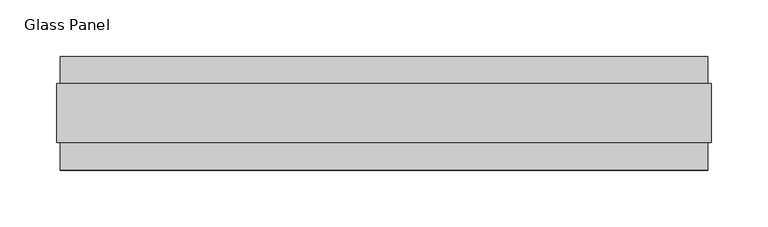
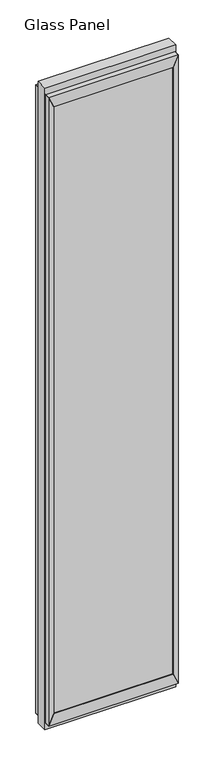
"""IFC4 building model written with IfcOpenShell, lengths in millimetres: plate geometry, Glass Panel."""

from ifc_helpers import new_model, si_unit, frame, origin, place, context, project, spatial, polyline, outline, extrude, source, transform, mapped, element, save


def glass_panel_d6adb1b4(model_context):
    return source(origin(), model_context, "Body", "SweptSolid", [
        extrude(outline(polyline([(263.9314, -45.1096), (-263.9314, -45.1096), (-263.9314, -33.6796), (263.9314, -33.6796), (263.9314, -45.1096)])), frame((0.0, 0.0, 81.0006), z_axis=(0.0, 0.0, 1.0), x_axis=(1.0, 0.0, 0.0)), (0.0, 0.0, 1.0), 2835.1988),
        extrude(outline(polyline([(263.9314, 33.9098), (-263.9314, 33.9098), (-263.9314, 45.3398), (263.9314, 45.3398), (263.9314, 33.9098)])), frame((0.0, 0.0, 81.0006), z_axis=(0.0, 0.0, 1.0), x_axis=(1.0, 0.0, 0.0)), (0.0, 0.0, 1.0), 2835.1988),
        extrude(outline(polyline([(81.0006, 263.9314), (81.0006, -263.9314), (32.004, -285.9278), (32.004, 285.9278), (81.0006, 263.9314)])), frame((0.0, -49.9229, 0.0), z_axis=(0.0, 1.0, 0.0), x_axis=(0.0, 0.0, 1.0)), (0.0, 0.0, 1.0), 100.076),
        extrude(outline(polyline([(2916.1994, 263.9314), (2965.196, 285.9278), (2965.196, -285.9278), (2916.1994, -263.9314), (2916.1994, 263.9314)])), frame((0.0, -49.9229, 0.0), z_axis=(0.0, 1.0, 0.0), x_axis=(0.0, 0.0, 1.0)), (0.0, 0.0, 1.0), 100.076),
        extrude(outline(polyline([(81.0006, 263.9314), (32.004, 285.9278), (2965.196, 285.9278), (2916.1994, 263.9314), (81.0006, 263.9314)])), frame((0.0, -49.9229, 0.0), z_axis=(0.0, 1.0, 0.0), x_axis=(0.0, 0.0, 1.0)), (0.0, 0.0, 1.0), 100.076),
        extrude(outline(polyline([(81.0006, -263.9314), (2916.1994, -263.9314), (2965.196, -285.9278), (32.004, -285.9278), (81.0006, -263.9314)])), frame((0.0, -49.9229, 0.0), z_axis=(0.0, 1.0, 0.0), x_axis=(0.0, 0.0, 1.0)), (0.0, 0.0, 1.0), 100.076),
        extrude(outline(polyline([(0.0, -288.925), (0.0, 288.925), (2997.2, 288.925), (2997.2, -288.925), (0.0, -288.925)]), holes=[polyline([(32.004, 285.9278), (32.004, -285.9278), (2965.196, -285.9278), (2965.196, 285.9278), (32.004, 285.9278)])]), frame((0.0, -25.8818, 0.0), z_axis=(0.0, 1.0, 0.0), x_axis=(0.0, 0.0, 1.0)), (0.0, 0.0, 1.0), 51.9938),
    ])


if __name__ == "__main__":
    model = new_model("IFC4")
    model_context = context("Model", 3, world=origin())
    ifc_project = project(units=[si_unit("LENGTHUNIT", "METRE", prefix="MILLI")], contexts=[model_context])
    site = spatial("IfcSite", under=ifc_project)
    building = spatial("IfcBuilding", under=site)
    placement = place(None, origin())
    glass_panel_shape = glass_panel_d6adb1b4(model_context)
    element("IfcPlate", 1, ObjectType="Glass Panel", at=placement, inside=building, context=model_context, shape_type="MappedRepresentation", body=[
        mapped(glass_panel_shape, transform((0.0, 0.0, 0.0), x_axis=(1.0, 0.0, 0.0), y_axis=(0.0, 1.0, 0.0), z_axis=(0.0, 0.0, 1.0))),
    ])
    save(model, "model.ifc")
